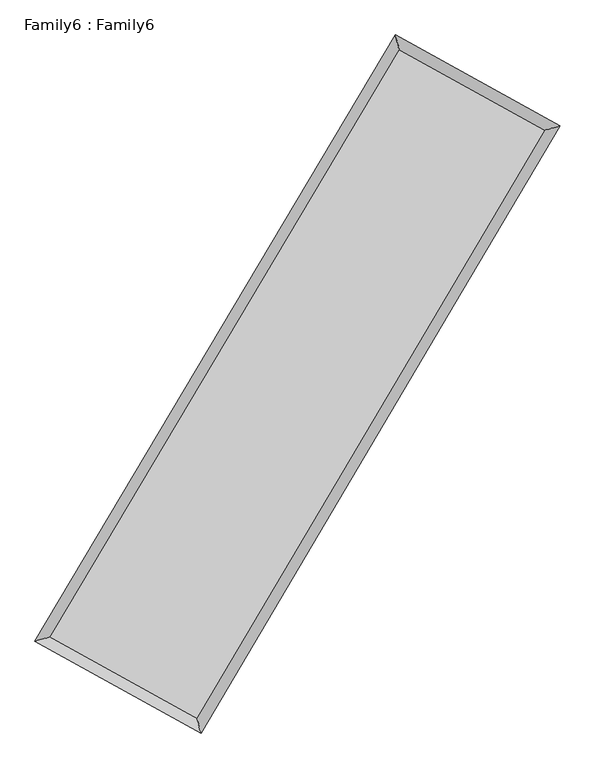
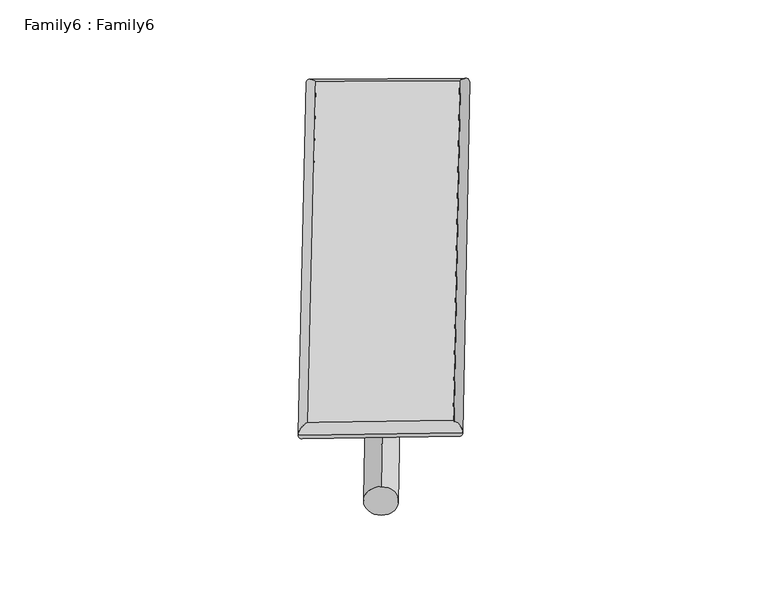
"""IFC4 building model written with IfcOpenShell, lengths in millimetres: plate geometry, Family6 : Family6."""

from ifc_helpers import new_model, si_unit, point, frame, origin, origin_2d, place, context, project, spatial, circle_curve, ellipse_curve, trimmed, segment, composite_curve, outline, extrude, source, transform, mapped, element, save
from ifc_brep_helpers import plane_surface, cylinder_surface, spline_surface, advanced_brep


def family6_family6_1d9e3bcd(model_context):
    return source(origin(), model_context, "Body", "SolidModel", [
        extrude(outline(composite_curve([segment(trimmed(circle_curve(origin_2d(), 76.2), [point((-75.4341514, -10.7763074))], [point((75.4341514, 10.7763074))], False, "CARTESIAN"), True, "CONTINUOUS"), segment(trimmed(circle_curve(origin_2d(), 76.2), [point((75.4341514, 10.7763074))], [point((-75.4341514, -10.7763074))], False, "CARTESIAN"), True, "CONTINUOUS")], self_intersect=False)), frame((9144.0, 9144.0, 0.0), z_axis=(0.6731891674529247, 0.6881851820355129, 0.2705873242611082), x_axis=(-0.6799446773015547, 0.719906711753866, -0.1393182047724586)), (0.0, 0.0, 1.0), 5600.848048),
        extrude(outline(composite_curve([segment(trimmed(circle_curve(origin_2d(), 76.2), [point((-53.8815368, 53.8815367))], [point((53.8815368, -53.8815367))], False, "CARTESIAN"), True, "CONTINUOUS"), segment(trimmed(circle_curve(origin_2d(), 76.2), [point((53.8815368, -53.8815367))], [point((-53.8815368, 53.8815367))], False, "CARTESIAN"), True, "CONTINUOUS")], self_intersect=False)), frame((9144.0, 9144.0, 0.0), z_axis=(-0.6746921093659851, -0.6867360508656962, 0.2705256993349536), x_axis=(0.6394525006148499, -0.36079185296880545, 0.6789180644884559)), (0.0, 0.0, 1.0), 5602.5597728),
        extrude(outline(composite_curve([segment(trimmed(circle_curve(origin_2d(), 76.2), [point((-53.8815367, -53.8815367))], [point((53.8815367, 53.8815367))], False, "CARTESIAN"), True, "CONTINUOUS"), segment(trimmed(circle_curve(origin_2d(), 76.2), [point((53.8815367, 53.8815367))], [point((-53.8815367, -53.8815367))], False, "CARTESIAN"), True, "CONTINUOUS")], self_intersect=False)), frame((9144.0, 9144.0, 0.0), z_axis=(0.27783657876592854, 0.9199814752137168, 0.27647951237521684), x_axis=(-0.8396168805372138, 0.37240200972368637, -0.3954241230257931)), (0.0, 0.0, 1.0), 5531.0092488),
        extrude(outline(composite_curve([segment(trimmed(circle_curve(origin_2d(), 76.2), [point((-75.4341514, 10.7763073))], [point((75.4341514, -10.7763073))], False, "CARTESIAN"), True, "CONTINUOUS"), segment(trimmed(circle_curve(origin_2d(), 76.2), [point((75.4341514, -10.7763073))], [point((-75.4341514, 10.7763073))], False, "CARTESIAN"), True, "CONTINUOUS")], self_intersect=False)), frame((9144.0, 9144.0, 0.0), z_axis=(-0.27581747880567703, -0.9206253501205643, 0.2763578895213024), x_axis=(0.8777972874482228, -0.12409699855490404, 0.4626790000618206)), (0.0, 0.0, 1.0), 5533.5854422),
        advanced_brep(
        [(5152.6263935, 5239.3056141, 1516.7204928), (5575.3744721, 5353.7438776, 1516.9994078), (5575.3678646, 5353.7348397, 1514.5523084), (10736.2128861, 14027.659535, 1527.7286781), (10625.2204875, 14437.1925612, 1530.692802), (5152.619786, 5239.2965762, 1514.2733934), (12703.3148887, 12940.9425184, 1515.6707046), (13125.5455802, 13055.8987484, 1515.3662691), (7561.989998, 4254.6525494, 1528.9994332), (7673.4908311, 3844.6293802, 1529.5005554)],
        [
            (0, 1, ellipse_curve(frame((5363.997129, 5296.5202269, 1515.6364006), z_axis=(-0.26129350451351785, 0.9652551621171016, -0.002859458922952725), x_axis=(-0.9652455159408594, -0.2613044876257621, -0.00458897621503753)), 218.9906885, 152.4)),
            (1, 2, ellipse_curve(frame((5363.997129, 5296.5202269, 1515.6364006), z_axis=(-0.26129350451351785, 0.9652551621171016, -0.002859458922952725), x_axis=(-0.9652455159408594, -0.2613044876257621, -0.00458897621503753)), 218.9906885, 152.4)),
            (2, 3),
            (3, 4, ellipse_curve(frame((10680.7166868, 14232.4260481, 1529.21074), z_axis=(-0.9651714273864477, -0.26160300016663823, 0.002825961893012574), x_axis=(0.2615879612786971, -0.9651677329734042, -0.00479434469293565)), 212.1592616, 152.4)),
            (4, 0),
            (2, 5, ellipse_curve(frame((5363.997129, 5296.5202269, 1515.6364006), z_axis=(-0.26129350451351785, 0.9652551621171016, -0.002859458922952725), x_axis=(-0.9652455159408594, -0.2613044876257621, -0.00458897621503753)), 218.9906885, 152.4)),
            (5, 0, ellipse_curve(frame((5363.997129, 5296.5202269, 1515.6364006), z_axis=(-0.26129350451351785, 0.9652551621171016, -0.002859458922952725), x_axis=(-0.9652455159408594, -0.2613044876257621, -0.00458897621503753)), 218.9906885, 152.4)),
            (4, 3, ellipse_curve(frame((10680.7166868, 14232.4260481, 1529.21074), z_axis=(-0.9651714273864477, -0.26160300016663823, 0.002825961893012574), x_axis=(0.2615879612786971, -0.9651677329734042, -0.00479434469293565)), 212.1592616, 152.4)),
            (3, 6),
            (6, 7, ellipse_curve(frame((12914.4302344, 12998.4206334, 1515.5184869), z_axis=(-0.2626940424217007, 0.9648748150867521, 0.0029036679307295173), x_axis=(-0.964864857159376, -0.26270535174682846, 0.004658925025358389)), 218.8018376, 152.4)),
            (7, 4),
            (7, 6, ellipse_curve(frame((12914.4302344, 12998.4206334, 1515.5184869), z_axis=(-0.2626940424217007, 0.9648748150867521, 0.0029036679307295173), x_axis=(-0.964864857159376, -0.26270535174682846, 0.004658925025358389)), 218.8018376, 152.4)),
            (6, 8),
            (8, 9, ellipse_curve(frame((7617.7404146, 4049.6409648, 1529.2499943), z_axis=(0.9649523814254932, 0.26241048672781797, 0.002763699791790497), x_axis=(-0.26239589803786934, 0.9649486619522918, -0.004740515729529139)), 212.4581409, 152.4)),
            (9, 7),
            (9, 8, ellipse_curve(frame((7617.7404146, 4049.6409648, 1529.2499943), z_axis=(0.9649523814254932, 0.26241048672781797, 0.002763699791790497), x_axis=(-0.26239589803786934, 0.9649486619522918, -0.004740515729529139)), 212.4581409, 152.4)),
            (8, 1),
            (5, 9),
        ],
        [
            cylinder_surface(frame((5363.997129, 5296.5202269, 1515.6364006), z_axis=(-0.5113220749085426, -0.859388172736225, -0.0013054778110142087), x_axis=(-0.8593637947142935, 0.5112947182783358, 0.008460460680532031)), 152.4),
            cylinder_surface(frame((10680.7166868, 14232.4260481, 1529.21074), z_axis=(-0.8752978108550634, 0.4835545001743038, 0.005365414570510143), x_axis=(0.4835777698339087, 0.8752896857688351, 0.004528411328187938)), 152.4),
            cylinder_surface(frame((12914.4302344, 12998.4206334, 1515.5184869), z_axis=(0.5093541559905599, 0.8605559831260579, -0.0013204851716992645), x_axis=(0.8605569203088701, -0.5093541559905599, 0.0003615019468529253)), 152.4),
            cylinder_surface(frame((7617.7404146, 4049.6409648, 1529.2499943), z_axis=(0.8750008263079136, -0.4840925723903112, 0.005285387119182402), x_axis=(-0.4840802474154771, -0.8750166492356783, -0.0034896450444460345)), 152.4),
        ],
        [
            (0, [[1, 2, 3, 4, 5]]),
            (0, [[6, 7, -5, 8, -3]]),
            (1, [[-4, 9, 10, 11]]),
            (1, [[-8, -11, 12, -9]]),
            (2, [[-10, 13, 14, 15]]),
            (2, [[-12, -15, 16, -13]]),
            (3, [[-14, 17, -1, -7, 18]]),
            (3, [[-16, -18, -6, -2, -17]]),
        ],
    ),
        extrude(outline(composite_curve([segment(trimmed(circle_curve(origin_2d(), 304.8), [point((0.0, -304.8))], [point((0.0, 304.8))], False, "CARTESIAN"), True, "CONTINUOUS"), segment(trimmed(circle_curve(origin_2d(), 304.8), [point((0.0, 304.8))], [point((0.0, -304.8))], False, "CARTESIAN"), True, "CONTINUOUS")], self_intersect=False)), frame((6485.9464358, 4647.5824001, -0.0006312), z_axis=(0.5088824903388098, 0.8608359954291855, 1.2084286435281305e-07), x_axis=(-0.8608359954291933, 0.5088824903388098, 3.304687672776409e-08)), (0.0, 0.0, 1.0), 10446.6300753),
        advanced_brep(
        [(5363.997129, 5296.5202269, 1515.6364006), (7617.7404146, 4049.6409648, 1529.2499943), (7617.739749, 4049.6427167, 1681.6499943), (5363.9964635, 5296.5219788, 1668.0364006), (12914.4302344, 12998.4206334, 1515.5184869), (12914.4295689, 12998.4223853, 1667.9184869), (10680.7166868, 14232.4260481, 1529.21074), (10680.7160213, 14232.4278, 1681.61074)],
        [
            (0, 1),
            (1, 2),
            (2, 3),
            (3, 0),
            (1, 4),
            (4, 5),
            (5, 2),
            (4, 6),
            (6, 7),
            (7, 5),
            (6, 0),
            (3, 7),
        ],
        [
            plane_surface(frame((6490.8687718, 4673.0805959, 1522.4431975), z_axis=(-0.4840993708977569, -0.8750130279220326, 7.944331458035244e-06), x_axis=(0.875000826307914, -0.48409257239031067, 0.00528538711918241))),
            plane_surface(frame((10266.0853245, 8524.0307991, 1522.3842406), z_axis=(0.8605567398207454, -0.5093545891190873, 9.613313201155336e-06), x_axis=(0.5093541559905592, 0.8605559831260582, -0.0013204851716992617))),
            plane_surface(frame((11797.5734606, 13615.4233408, 1522.3646135), z_axis=(0.48356142317642936, 0.8753104306201214, -7.950099465828427e-06), x_axis=(-0.8752978108550633, 0.48355450017430335, 0.005365414570510145))),
            plane_surface(frame((8022.3569079, 9764.4731375, 1522.4235703), z_axis=(-0.8593888985842589, 0.5113225214063837, -9.630834888014464e-06), x_axis=(-0.5113220749085424, -0.8593881727362253, -0.001305477811014211))),
            spline_surface(1, 1, [[(7617.739749, 4049.6427167, 1681.6499943), (5363.9964635, 5296.5219788, 1668.0364006)], [(12914.4295689, 12998.4223853, 1667.9184869), (10680.7160213, 14232.4278, 1681.61074)]], [2, 2], [2, 2], [0.0, 1.0], [0.0, 1.0]),
            spline_surface(1, 1, [[(10680.7166868, 14232.4260481, 1529.21074), (5363.997129, 5296.5202269, 1515.6364006)], [(12914.4302344, 12998.4206334, 1515.5184869), (7617.7404146, 4049.6409648, 1529.2499943)]], [2, 2], [2, 2], [0.0, 1.0], [0.0, 1.0]),
        ],
        [
            (0, [[1, 2, 3, 4]]),
            (1, [[5, 6, 7, -2]]),
            (2, [[8, 9, 10, -6]]),
            (3, [[11, -4, 12, -9]]),
            (4, [[-3, -7, -10, -12]]),
            (5, [[-11, -8, -5, -1]]),
        ],
    ),
    ])


if __name__ == "__main__":
    model = new_model("IFC4")
    model_context = context("Model", 3, world=origin())
    ifc_project = project(units=[si_unit("LENGTHUNIT", "METRE", prefix="MILLI")], contexts=[model_context])
    site = spatial("IfcSite", under=ifc_project)
    building = spatial("IfcBuilding", under=site)
    placement = place(None, origin())
    family6_family6_shape = family6_family6_1d9e3bcd(model_context)
    element("IfcPlate", 1, ObjectType="Family6 : Family6", at=placement, inside=building, context=model_context, shape_type="MappedRepresentation", body=[
        mapped(family6_family6_shape, transform((0.0, 0.0, 0.0), x_axis=(1.0, 0.0, 0.0), y_axis=(0.0, 1.0, 0.0), z_axis=(0.0, 0.0, 1.0))),
    ])
    save(model, "model.ifc")
